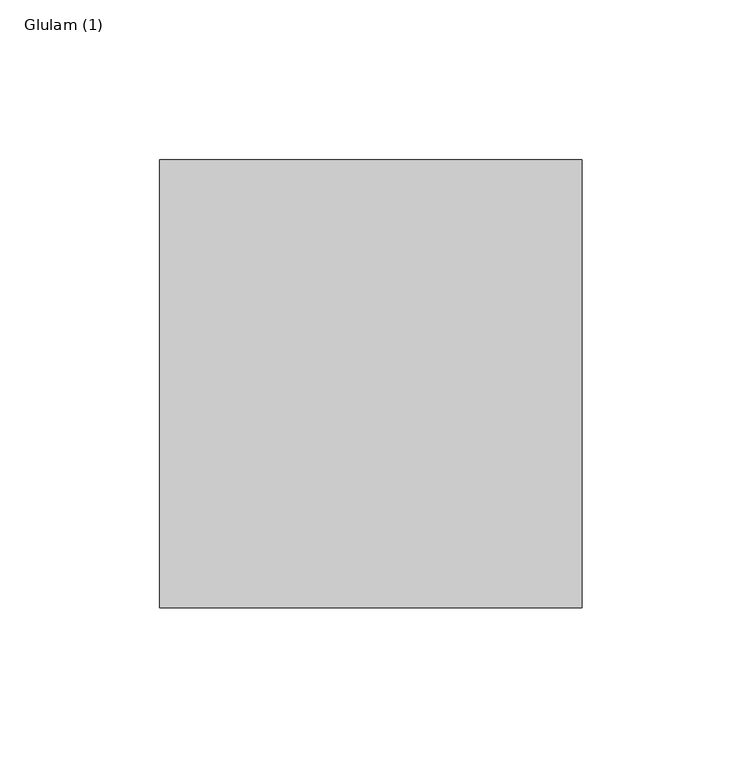
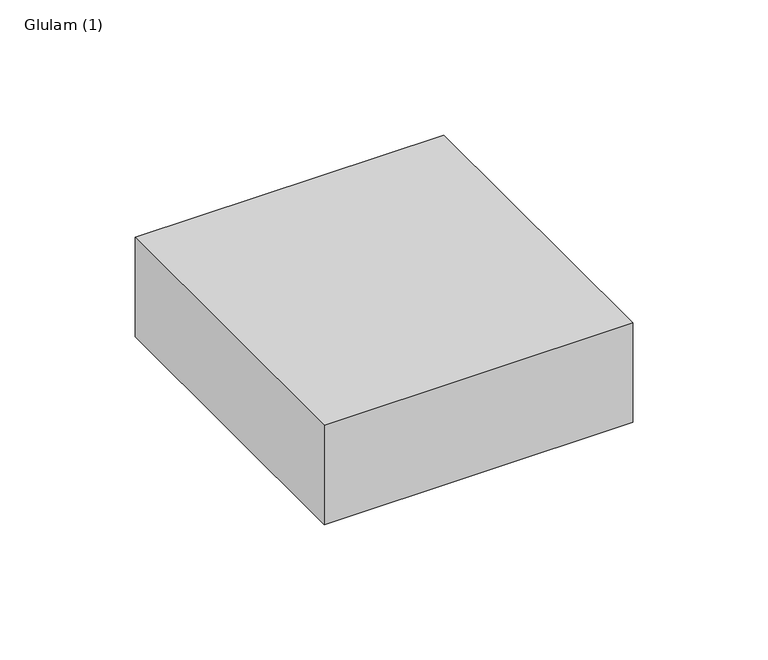
"""IFC4 building model written with IfcOpenShell, lengths in millimetres: beam geometry, Glulam (1)."""

from ifc_helpers import new_model, si_unit, frame, origin, place, context, project, spatial, polyline, outline, extrude, source, transform, mapped, element, save


def glulam_1_b5da2fff(model_context):
    return source(origin(), model_context, "Body", "SweptSolid", [
        extrude(outline(polyline([(66.0, 70.0), (66.0, -70.0), (-66.0, -70.0), (-66.0, 70.0), (66.0, 70.0)])), frame((0.0, 0.0, -22.5), z_axis=(0.0, 0.0, 1.0), x_axis=(1.0, 0.0, 0.0)), (0.0, 0.0, 1.0), 45.0),
    ])


if __name__ == "__main__":
    model = new_model("IFC4")
    model_context = context("Model", 3, world=origin())
    ifc_project = project(units=[si_unit("LENGTHUNIT", "METRE", prefix="MILLI")], contexts=[model_context])
    site = spatial("IfcSite", under=ifc_project)
    building = spatial("IfcBuilding", under=site)
    placement = place(None, origin())
    glulam_1_shape = glulam_1_b5da2fff(model_context)
    element("IfcBeam", 1, ObjectType="Glulam (1)", at=placement, inside=building, context=model_context, shape_type="MappedRepresentation", body=[
        mapped(glulam_1_shape, transform((0.0, 0.0, 0.0), x_axis=(1.0, 0.0, 0.0), y_axis=(0.0, 1.0, 0.0), z_axis=(0.0, 0.0, 1.0))),
    ])
    save(model, "model.ifc")
